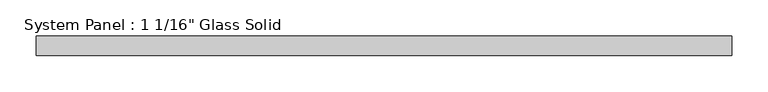
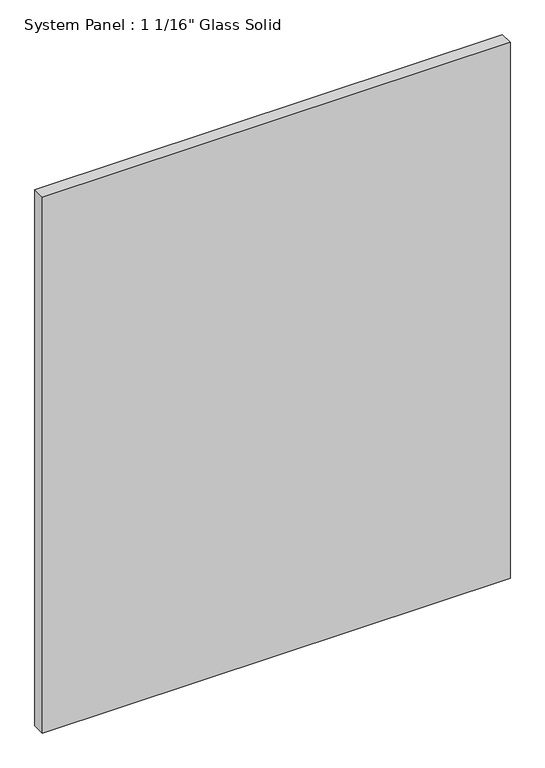
"""IFC4 building model written with IfcOpenShell, lengths in millimetres: plate geometry."""

from ifc_helpers import new_model, si_unit, origin, origin_with_axes, place, context, project, spatial, polyline, outline, extrude, source, transform, mapped, element, save


def plate_4f0ffdcf(model_context):
    return source(origin(), model_context, "Body", "SweptSolid", [
        extrude(outline(polyline([(480.0055865, -13.49375), (-480.0055865, -13.49375), (-480.0055865, 13.49375), (480.0055865, 13.49375), (480.0055865, -13.49375)])), origin_with_axes(), (0.0, 0.0, 1.0), 1163.2111731),
    ])


if __name__ == "__main__":
    model = new_model("IFC4")
    model_context = context("Model", 3, world=origin())
    ifc_project = project(units=[si_unit("LENGTHUNIT", "METRE", prefix="MILLI")], contexts=[model_context])
    site = spatial("IfcSite", under=ifc_project)
    building = spatial("IfcBuilding", under=site)
    placement = place(None, origin())
    plate_shape = plate_4f0ffdcf(model_context)
    element("IfcPlate", 1, ObjectType="System Panel : 1 1/16\" Glass Solid", at=placement, inside=building, context=model_context, shape_type="MappedRepresentation", body=[
        mapped(plate_shape, transform((0.0, 0.0, 0.0), x_axis=(1.0, 0.0, 0.0), y_axis=(0.0, 1.0, 0.0), z_axis=(0.0, 0.0, 1.0))),
    ])
    save(model, "model.ifc")
